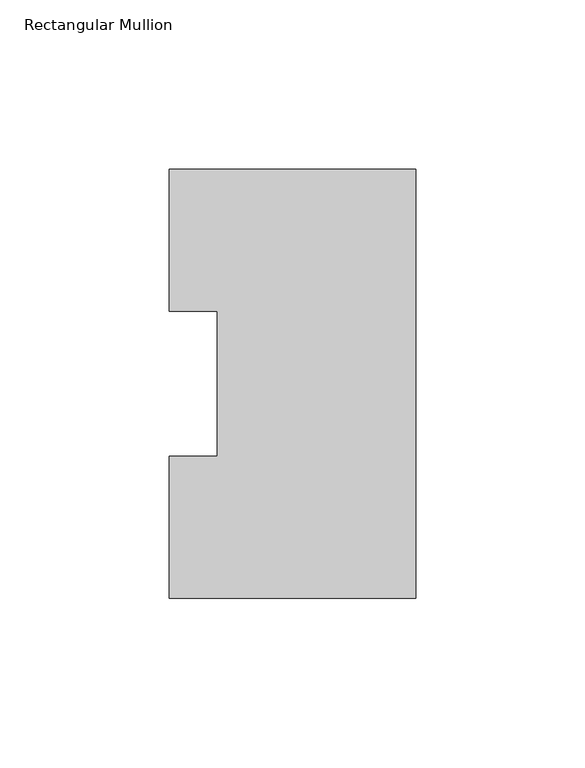
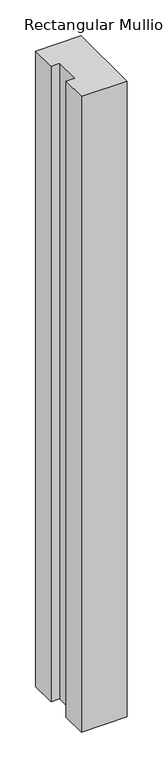
"""IFC4 building model written with IfcOpenShell, lengths in millimetres: member geometry, Rectangular Mullion."""

from ifc_helpers import new_model, si_unit, frame, origin, place, context, project, spatial, polyline, outline, extrude, source, transform, mapped, element, save


def rectangular_mullion_7d0d1ea5(model_context):
    return source(origin(), model_context, "Body", "SweptSolid", [
        extrude(outline(polyline([(0.0, 126.7086937), (0.0, -0.2913063), (-73.025, -0.2913063), (-73.025, 41.7837937), (-58.7375, 41.7837937), (-58.7375, 84.6335938), (-73.025, 84.6335938), (-73.025, 126.7086937), (0.0, 126.7086937)])), frame((0.0, 0.0, -1079.50635), z_axis=(0.0, 0.0, 1.0), x_axis=(1.0, 0.0, 0.0)), (0.0, 0.0, 1.0), 1079.50635),
    ])


if __name__ == "__main__":
    model = new_model("IFC4")
    model_context = context("Model", 3, world=origin())
    ifc_project = project(units=[si_unit("LENGTHUNIT", "METRE", prefix="MILLI")], contexts=[model_context])
    site = spatial("IfcSite", under=ifc_project)
    building = spatial("IfcBuilding", under=site)
    placement = place(None, origin())
    rectangular_mullion_shape = rectangular_mullion_7d0d1ea5(model_context)
    element("IfcMember", 1, ObjectType="Rectangular Mullion", at=placement, inside=building, context=model_context, shape_type="MappedRepresentation", body=[
        mapped(rectangular_mullion_shape, transform((0.0, 0.0, 0.0), x_axis=(1.0, 0.0, 0.0), y_axis=(0.0, 1.0, 0.0), z_axis=(0.0, 0.0, 1.0))),
    ])
    save(model, "model.ifc")
